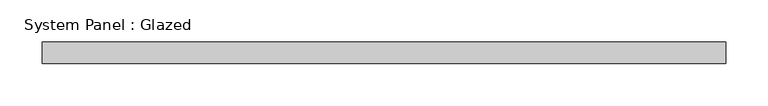
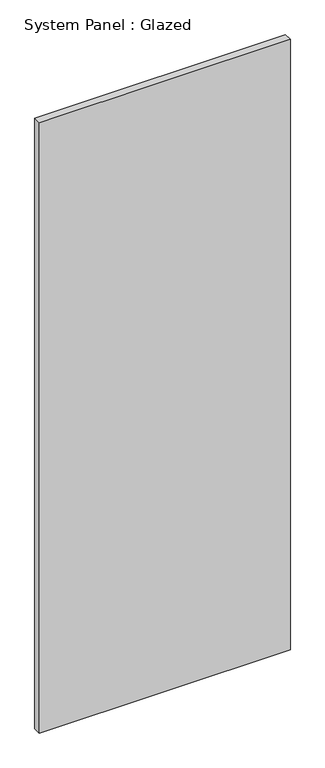
"""IFC4 building model written with IfcOpenShell, lengths in millimetres: plate geometry, System Panel : Glazed."""

from ifc_helpers import new_model, si_unit, origin, origin_with_axes, place, context, project, spatial, polyline, outline, extrude, source, transform, mapped, element, save


def system_panel_glazed_bf307ed2(model_context):
    return source(origin(), model_context, "Body", "SweptSolid", [
        extrude(outline(polyline([(403.8101528, 19.05), (-403.8101528, 19.05), (-403.8101528, 44.45), (403.8101528, 44.45), (403.8101528, 19.05)])), origin_with_axes(), (0.0, 0.0, 1.0), 2076.45),
    ])


if __name__ == "__main__":
    model = new_model("IFC4")
    model_context = context("Model", 3, world=origin())
    ifc_project = project(units=[si_unit("LENGTHUNIT", "METRE", prefix="MILLI")], contexts=[model_context])
    site = spatial("IfcSite", under=ifc_project)
    building = spatial("IfcBuilding", under=site)
    placement = place(None, origin())
    system_panel_glazed_shape = system_panel_glazed_bf307ed2(model_context)
    element("IfcPlate", 1, ObjectType="System Panel : Glazed", at=placement, inside=building, context=model_context, shape_type="MappedRepresentation", body=[
        mapped(system_panel_glazed_shape, transform((0.0, 0.0, 0.0), x_axis=(1.0, 0.0, 0.0), y_axis=(0.0, 1.0, 0.0), z_axis=(0.0, 0.0, 1.0))),
    ])
    save(model, "model.ifc")
